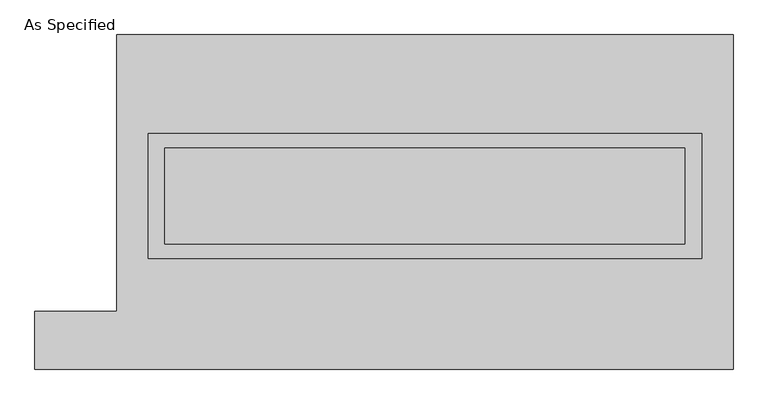
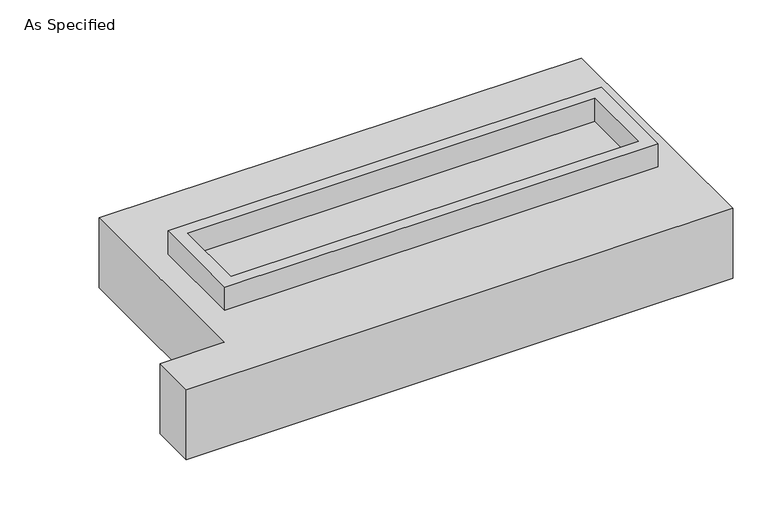
"""IFC4 building model written with IfcOpenShell, lengths in millimetres: proxy geometry, As Specified."""

from ifc_helpers import new_model, si_unit, frame, origin, place, context, project, spatial, polyline, outline, extrude, source, transform, mapped, element, save


def as_specified_449a672e(model_context):
    return source(origin(), model_context, "Body", "SweptSolid", [
        extrude(outline(polyline([(1460.5, 361.95), (1460.5, -298.45), (-1460.5, -298.45), (-1460.5, 361.95), (1460.5, 361.95)]), holes=[polyline([(1371.6, 285.75), (-1371.6, 285.75), (-1371.6, -222.25), (1371.6, -222.25), (1371.6, 285.75)])]), frame((0.0, 0.0, -688.975), z_axis=(0.0, 0.0, 1.0), x_axis=(1.0, 0.0, 0.0)), (0.0, 0.0, 1.0), 165.1),
        extrude(outline(polyline([(1460.5, 361.95), (1460.5, -298.45), (-1460.5, -298.45), (-1460.5, 361.95), (1460.5, 361.95)]), holes=[polyline([(1371.6, 285.75), (-1371.6, 285.75), (-1371.6, -222.25), (1371.6, -222.25), (1371.6, 285.75)])]), frame((0.0, 0.0, -25.4), z_axis=(0.0, 0.0, 1.0), x_axis=(1.0, 0.0, 0.0)), (0.0, 0.0, 1.0), 165.1),
        extrude(outline(polyline([(1371.6, 285.75), (1371.6, -222.25), (-1371.6, -222.25), (-1371.6, 285.75), (1371.6, 285.75)])), frame((0.0, 0.0, -523.875), z_axis=(0.0, 0.0, 1.0), x_axis=(1.0, 0.0, 0.0)), (0.0, 0.0, 1.0), 4.9609375),
        extrude(outline(polyline([(1371.6, 285.75), (1371.6, -222.25), (-1371.6, -222.25), (-1371.6, 285.75), (1371.6, 285.75)])), frame((0.0, 0.0, -30.3609375), z_axis=(0.0, 0.0, 1.0), x_axis=(1.0, 0.0, 0.0)), (0.0, 0.0, 1.0), 4.9609375),
        extrude(outline(polyline([(-1625.6, 882.65), (1625.6, 882.65), (1625.6, -882.65), (-2057.4, -882.65), (-2057.4, -577.85), (-1625.6, -577.85), (-1625.6, 882.65)]), holes=[polyline([(-1460.5, 361.95), (-1460.5, -298.45), (1460.5, -298.45), (1460.5, 361.95), (-1460.5, 361.95)])]), frame((0.0, 0.0, -523.875), z_axis=(0.0, 0.0, 1.0), x_axis=(1.0, 0.0, 0.0)), (0.0, 0.0, 1.0), 498.475),
    ])


if __name__ == "__main__":
    model = new_model("IFC4")
    model_context = context("Model", 3, world=origin())
    ifc_project = project(units=[si_unit("LENGTHUNIT", "METRE", prefix="MILLI")], contexts=[model_context])
    site = spatial("IfcSite", under=ifc_project)
    building = spatial("IfcBuilding", under=site)
    placement = place(None, origin())
    as_specified_shape = as_specified_449a672e(model_context)
    element("IfcBuildingElementProxy", 1, Name="As Specified", ObjectType="As Specified", at=placement, inside=building, context=model_context, shape_type="MappedRepresentation", body=[
        mapped(as_specified_shape, transform((0.0, 0.0, 0.0), x_axis=(1.0, 0.0, 0.0), y_axis=(0.0, 1.0, 0.0), z_axis=(0.0, 0.0, 1.0))),
    ])
    save(model, "model.ifc")
